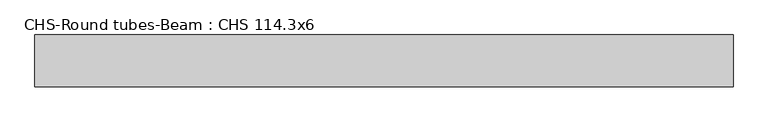
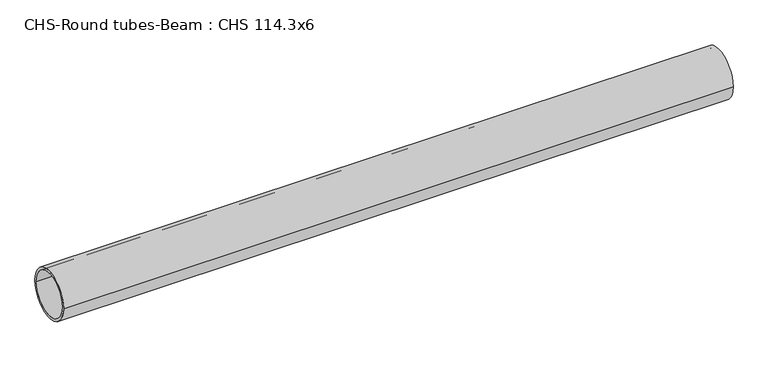
"""IFC4 building model written with IfcOpenShell, lengths in millimetres: beam geometry, CHS-Round tubes-Beam : CHS 114.3x6."""

from ifc_helpers import new_model, si_unit, point, frame, origin, origin_2d, place, context, project, spatial, circle_curve, trimmed, segment, composite_curve, outline, extrude, source, transform, mapped, element, save


def chs_round_tubes_beam_chs_114_3x6_c24b7884(model_context):
    return source(origin(), model_context, "Body", "SweptSolid", [
        extrude(outline(composite_curve([segment(trimmed(circle_curve(origin_2d(), 57.15), [point((57.15, 0.0))], [point((-57.15, 0.0))], False, "CARTESIAN"), True, "CONTINUOUS"), segment(trimmed(circle_curve(origin_2d(), 57.15), [point((-57.15, 0.0))], [point((57.15, 0.0))], False, "CARTESIAN"), True, "CONTINUOUS")], self_intersect=False), holes=[composite_curve([segment(trimmed(circle_curve(origin_2d(), 51.15), [point((51.15, 0.0))], [point((-51.15, 0.0))], True, "CARTESIAN"), True, "CONTINUOUS"), segment(trimmed(circle_curve(origin_2d(), 51.15), [point((-51.15, 0.0))], [point((51.15, 0.0))], True, "CARTESIAN"), True, "CONTINUOUS")], self_intersect=False)]), frame((-784.3615281, 0.0, 0.0), z_axis=(1.0, 0.0, 0.0), x_axis=(0.0, 1.0, 0.0)), (0.0, 0.0, 1.0), 1543.2529387),
    ])


if __name__ == "__main__":
    model = new_model("IFC4")
    model_context = context("Model", 3, world=origin())
    ifc_project = project(units=[si_unit("LENGTHUNIT", "METRE", prefix="MILLI")], contexts=[model_context])
    site = spatial("IfcSite", under=ifc_project)
    building = spatial("IfcBuilding", under=site)
    placement = place(None, origin())
    chs_round_tubes_beam_chs_114_3x6_shape = chs_round_tubes_beam_chs_114_3x6_c24b7884(model_context)
    element("IfcBeam", 1, ObjectType="CHS-Round tubes-Beam : CHS 114.3x6", at=placement, inside=building, context=model_context, shape_type="MappedRepresentation", body=[
        mapped(chs_round_tubes_beam_chs_114_3x6_shape, transform((0.0, 0.0, 0.0), x_axis=(1.0, 0.0, 0.0), y_axis=(0.0, 1.0, 0.0), z_axis=(0.0, 0.0, 1.0))),
    ])
    save(model, "model.ifc")
